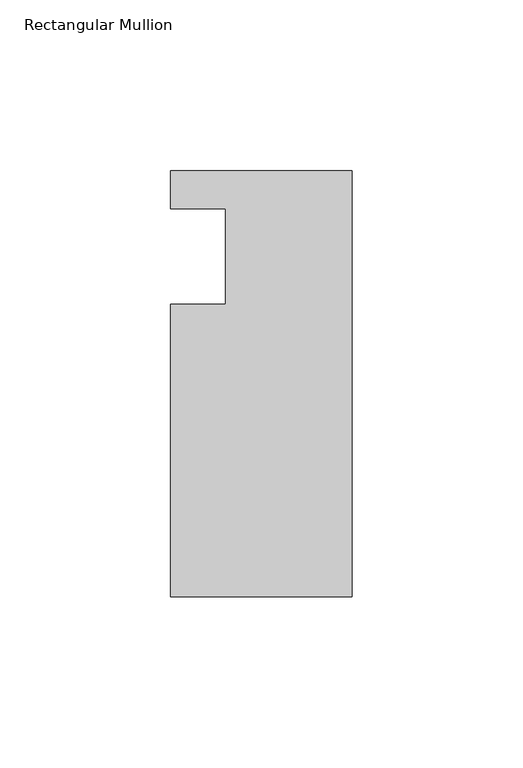
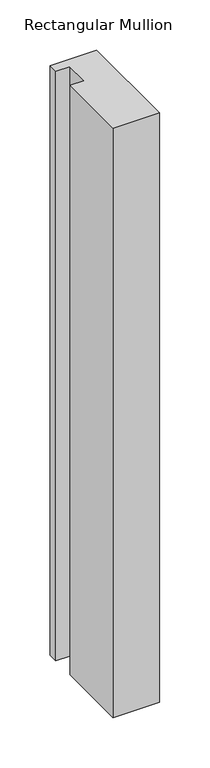
"""IFC4 building model written with IfcOpenShell, lengths in millimetres: member geometry, Rectangular Mullion."""

from ifc_helpers import new_model, si_unit, frame, origin, place, context, project, spatial, polyline, outline, extrude, source, transform, mapped, element, save


def rectangular_mullion_99d11e97(model_context):
    return source(origin(), model_context, "Body", "SweptSolid", [
        extrude(outline(polyline([(0.0, 25.0), (0.0, -99.5), (-53.0, -99.5), (-53.0, -14.0), (-37.0, -14.0), (-37.0, 14.0), (-53.0, 14.0), (-53.0, 25.0), (0.0, 25.0)])), frame((0.0, 0.0, -713.093636), z_axis=(0.0, 0.0, 1.0), x_axis=(1.0, 0.0, 0.0)), (0.0, 0.0, 1.0), 713.093636),
    ])


if __name__ == "__main__":
    model = new_model("IFC4")
    model_context = context("Model", 3, world=origin())
    ifc_project = project(units=[si_unit("LENGTHUNIT", "METRE", prefix="MILLI")], contexts=[model_context])
    site = spatial("IfcSite", under=ifc_project)
    building = spatial("IfcBuilding", under=site)
    placement = place(None, origin())
    rectangular_mullion_shape = rectangular_mullion_99d11e97(model_context)
    element("IfcMember", 1, ObjectType="Rectangular Mullion", at=placement, inside=building, context=model_context, shape_type="MappedRepresentation", body=[
        mapped(rectangular_mullion_shape, transform((0.0, 0.0, 0.0), x_axis=(1.0, 0.0, 0.0), y_axis=(0.0, 1.0, 0.0), z_axis=(0.0, 0.0, 1.0))),
    ])
    save(model, "model.ifc")
